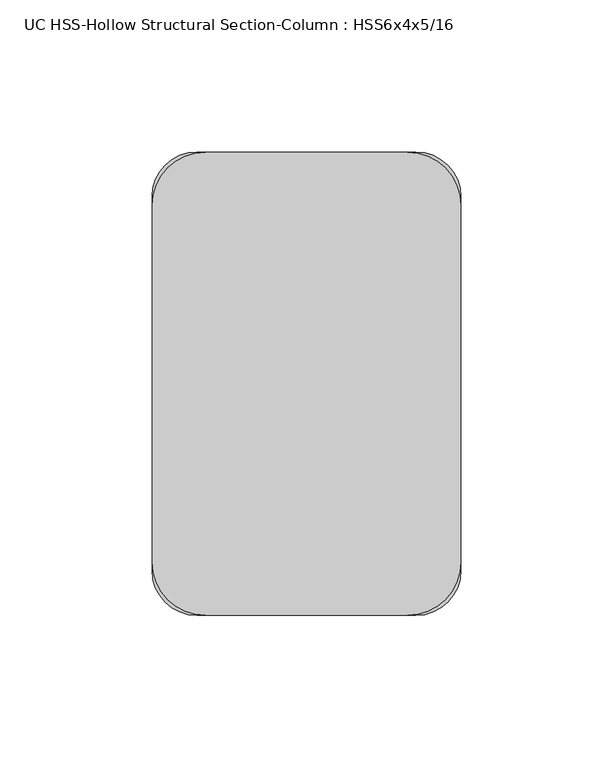
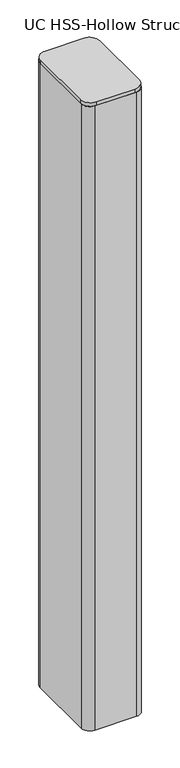
"""IFC4 building model written with IfcOpenShell, lengths in millimetres: column geometry, UC HSS-Hollow Structural Section-Column : HSS6x4x5/16."""

import ifcopenshell
import ifcopenshell.guid

model = None  # the IFC model being written
_history = None  # IfcOwnerHistory: only IFC2X3 demands one
_inside = {}  # id of a spatial element -> (the spatial element, [elements in it])
_under = {}  # id of a project, library or spatial element -> (it, [spatial elements below it])
_declared = {}  # id of a project -> (the project, [libraries it declares])
_typed = {}  # id of a type object -> (the type object, [elements of that type])
_made_of = {}  # id of a material, layer set ... -> (it, [elements and type objects made of it])


def new_model(schema):
    """Start an empty IFC model of exactly this schema.

    Asked for "IFC4X3", IfcOpenShell would pick the latest addendum, in which some entities
    have other attributes; the version numbers below select the first issue.
    IFC2X3 requires an IfcOwnerHistory on every rooted entity: one is made here for all.
    """
    global model, _history
    if schema == "IFC4X3":
        model = ifcopenshell.file(schema_version=(4, 3, 0, 0))
    else:
        model = ifcopenshell.file(schema=schema)
    _inside.clear()
    _under.clear()
    _declared.clear()
    _typed.clear()
    _made_of.clear()
    _history = None
    if model.schema == "IFC2X3":
        org = make("IfcOrganization", Name="unknown")
        user = make(
            "IfcPersonAndOrganization",
            ThePerson=make("IfcPerson", FamilyName="unknown"),
            TheOrganization=org,
        )
        app = make(
            "IfcApplication",
            ApplicationDeveloper=org,
            Version="unknown",
            ApplicationFullName="unknown",
            ApplicationIdentifier="unknown",
        )
        _history = make(
            "IfcOwnerHistory",
            OwningUser=user,
            OwningApplication=app,
            ChangeAction="ADDED",
            CreationDate=0,
        )
    return model


def make(cls, **values):
    """One entity of the class cls with the attributes given. An attribute that is None is left unset."""
    return model.create_entity(
        cls, **{name: value for name, value in values.items() if value is not None}
    )


def rooted(cls, **values):
    """An entity with a GlobalId (a new one), such as an element, a storey or a relation."""
    return make(cls, GlobalId=ifcopenshell.guid.new(), OwnerHistory=_history, **values)


def si_unit(unit_type, name, prefix=None):
    """IfcSIUnit, for example si_unit("LENGTHUNIT", "METRE", prefix="MILLI")."""
    return make("IfcSIUnit", UnitType=unit_type, Prefix=prefix, Name=name)


def assignment(units):
    """IfcUnitAssignment: the units of a project."""
    return None if units is None else make("IfcUnitAssignment", Units=units)


def point(xyz):
    """IfcCartesianPoint."""
    return None if xyz is None else make("IfcCartesianPoint", Coordinates=xyz)


def direction(xyz):
    """IfcDirection."""
    return None if xyz is None else make("IfcDirection", DirectionRatios=xyz)


def frame(location, z_axis=None, x_axis=None):
    """IfcAxis2Placement3D, a coordinate frame: its origin and axes. An axis left out is left unset."""
    return make(
        "IfcAxis2Placement3D",
        Location=point(location),
        Axis=direction(z_axis),
        RefDirection=direction(x_axis),
    )


def frame_2d(location, x_axis=None):
    """IfcAxis2Placement2D, a coordinate frame in the plane: its origin and x axis."""
    return make(
        "IfcAxis2Placement2D", Location=point(location), RefDirection=direction(x_axis)
    )


def origin():
    """The frame at (0, 0, 0) with its axes left unset."""
    return frame((0.0, 0.0, 0.0))


def place(relative_to, where):
    """IfcLocalPlacement: puts the frame where relative to a parent placement (None: the world)."""
    return make(
        "IfcLocalPlacement", PlacementRelTo=relative_to, RelativePlacement=where
    )


def context(
    kind, dimensions, precision=None, world=None, true_north=None, identifier=None
):
    """IfcGeometricRepresentationContext, for example the 3D "Model" context."""
    return make(
        "IfcGeometricRepresentationContext",
        ContextIdentifier=identifier,
        ContextType=kind,
        CoordinateSpaceDimension=dimensions,
        Precision=precision,
        WorldCoordinateSystem=world,
        TrueNorth=true_north,
    )


def project(units=None, contexts=None):
    """IfcProject with its units and contexts."""
    return rooted(
        "IfcProject",
        Name="project",
        RepresentationContexts=contexts,
        UnitsInContext=assignment(units),
    )


def spatial(cls, under=None, at=None, **own):
    """A site, building, storey or space (cls), placed at a placement, below another one or the project."""
    s = rooted(cls, ObjectPlacement=at, **own)
    if under is not None:
        _under.setdefault(under.id(), (under, []))[1].append(s)
    return s


def polyline(points):
    """IfcPolyline through the points."""
    return make("IfcPolyline", Points=[point(p) for p in points])


def circle_curve(where, radius):
    """IfcCircle in the frame where."""
    return make("IfcCircle", Position=where, Radius=radius)


def trimmed(basis, trim1, trim2, sense, master):
    """IfcTrimmedCurve: the piece of a basis curve between two trims."""
    return make(
        "IfcTrimmedCurve",
        BasisCurve=basis,
        Trim1=trim1,
        Trim2=trim2,
        SenseAgreement=sense,
        MasterRepresentation=master,
    )


def segment(curve, same_sense, transition):
    """IfcCompositeCurveSegment."""
    return make(
        "IfcCompositeCurveSegment",
        Transition=transition,
        SameSense=same_sense,
        ParentCurve=curve,
    )


def composite_curve(segments, self_intersect=None):
    """IfcCompositeCurve: segments joined end to end."""
    return make("IfcCompositeCurve", Segments=segments, SelfIntersect=self_intersect)


def outline(outer, holes=None, kind="AREA"):
    """IfcArbitraryClosedProfileDef: a profile drawn as a closed curve; with holes, ...WithVoids."""
    if holes is None:
        return make("IfcArbitraryClosedProfileDef", ProfileType=kind, OuterCurve=outer)
    return make(
        "IfcArbitraryProfileDefWithVoids",
        ProfileType=kind,
        OuterCurve=outer,
        InnerCurves=holes,
    )


def extrude(swept, where, along, depth):
    """IfcExtrudedAreaSolid: the profile swept, set in the frame where, extruded along a direction by depth."""
    return make(
        "IfcExtrudedAreaSolid",
        SweptArea=swept,
        Position=where,
        ExtrudedDirection=direction(along),
        Depth=depth,
    )


def shape(context_of_items, identifier, shape_type, items):
    """IfcShapeRepresentation: the items that make up one representation, for example the "Body"."""
    return make(
        "IfcShapeRepresentation",
        ContextOfItems=context_of_items,
        RepresentationIdentifier=identifier,
        RepresentationType=shape_type,
        Items=items,
    )


def source(mapping_origin, context_of_items, identifier, shape_type, items):
    """IfcRepresentationMap: a shape defined once, which mapped items show again and again."""
    return make(
        "IfcRepresentationMap",
        MappingOrigin=mapping_origin,
        MappedRepresentation=shape(context_of_items, identifier, shape_type, items),
    )


def transform(
    local_origin,
    x_axis=None,
    y_axis=None,
    z_axis=None,
    scale=None,
    scale2=None,
    scale3=None,
    uniform=True,
):
    """IfcCartesianTransformationOperator3D, or its non-uniform kind. x_axis, y_axis, z_axis: its Axis1, 2, 3."""
    if uniform:
        return make(
            "IfcCartesianTransformationOperator3D",
            Axis1=direction(x_axis),
            Axis2=direction(y_axis),
            LocalOrigin=point(local_origin),
            Scale=scale,
            Axis3=direction(z_axis),
        )
    return make(
        "IfcCartesianTransformationOperator3DnonUniform",
        Axis1=direction(x_axis),
        Axis2=direction(y_axis),
        LocalOrigin=point(local_origin),
        Scale=scale,
        Axis3=direction(z_axis),
        Scale2=scale2,
        Scale3=scale3,
    )


def mapped(mapping_source, mapping_target):
    """IfcMappedItem: shows the shape of a source again, moved by a transform."""
    return make(
        "IfcMappedItem", MappingSource=mapping_source, MappingTarget=mapping_target
    )


def made_of(thing, what):
    """Note that an element or type object is made of a material, layer set ...; save() writes the relation."""
    if what is not None:
        _made_of.setdefault(what.id(), (what, []))[1].append(thing)
    return thing


def element(
    cls,
    number,
    at=None,
    inside=None,
    cuts=None,
    type_object=None,
    material=None,
    context=None,
    identifier="Body",
    shape_type=None,
    held_by="IfcProductDefinitionShape",
    body=None,
    shapes=None,
    **own,
):
    """One element of the class cls, such as IfcWall. Its Tag is "e" and its number.

    at: its placement. inside: the storey or other place that contains it. cuts: it is an
    opening in that element (IfcRelVoidsElement). A single representation is given by context,
    identifier, shape_type and body (its items); several are given by shapes. held_by: the class
    of the entity that holds the representations. save() writes the other relations.
    """
    e = rooted(cls, Tag="e%d" % number, ObjectPlacement=at, **own)
    if body is not None:
        shapes = [shape(context, identifier, shape_type, body)]
    if shapes is not None:
        e.Representation = make(held_by, Representations=shapes)
    if inside is not None:
        _inside.setdefault(inside.id(), (inside, []))[1].append(e)
    if cuts is not None:
        rooted(
            "IfcRelVoidsElement", RelatingBuildingElement=cuts, RelatedOpeningElement=e
        )
    if type_object is not None:
        _typed.setdefault(type_object.id(), (type_object, []))[1].append(e)
    return made_of(e, material)


def aggregate(whole, parts):
    """IfcRelAggregates: a whole, such as a stair, and the parts it consists of."""
    return rooted("IfcRelAggregates", RelatingObject=whole, RelatedObjects=parts)


def save(model, path):
    """Write the relations noted so far, then the file.

    IfcRelAggregates (storeys below a building ...), IfcRelContainedInSpatialStructure (elements
    in a storey), IfcRelDefinesByType, IfcRelAssociatesMaterial and IfcRelDeclares: one each for
    every whole, place, type object, material and project.
    """
    for whole, parts in _under.values():
        aggregate(whole, parts)
    for where, things in _inside.values():
        rooted(
            "IfcRelContainedInSpatialStructure",
            RelatedElements=things,
            RelatingStructure=where,
        )
    for kind, things in _typed.values():
        rooted("IfcRelDefinesByType", RelatedObjects=things, RelatingType=kind)
    for what, things in _made_of.values():
        rooted("IfcRelAssociatesMaterial", RelatedObjects=things, RelatingMaterial=what)
    for by, libraries in _declared.values():
        rooted("IfcRelDeclares", RelatingContext=by, RelatedDefinitions=libraries)
    model.write(path)


def uc_hss_hollow_structural_section_column_hss6x4x5_16_6232ccf1(model_context):
    return source(origin(), model_context, "Body", "SweptSolid", [
        extrude(outline(composite_curve([segment(trimmed(circle_curve(frame_2d((-33.1390625, 58.5390625)), 17.6609375), [point((-50.8, 58.5390625))], [point((-33.1390625, 76.2))], False, "CARTESIAN"), True, "CONTINUOUS"), segment(polyline([(-33.1390625, 76.2), (33.1390625, 76.2)]), True, "CONTINUOUS"), segment(trimmed(circle_curve(frame_2d((33.1390625, 58.5390625)), 17.6609375), [point((33.1390625, 76.2))], [point((50.8, 58.5390625))], False, "CARTESIAN"), True, "CONTINUOUS"), segment(polyline([(50.8, 58.5390625), (50.8, -58.5390625)]), True, "CONTINUOUS"), segment(trimmed(circle_curve(frame_2d((33.1390625, -58.5390625)), 17.6609375), [point((50.8, -58.5390625))], [point((33.1390625, -76.2))], False, "CARTESIAN"), True, "CONTINUOUS"), segment(polyline([(33.1390625, -76.2), (-33.1390625, -76.2)]), True, "CONTINUOUS"), segment(trimmed(circle_curve(frame_2d((-33.1390625, -58.5390625)), 17.6609375), [point((-33.1390625, -76.2))], [point((-50.8, -58.5390625))], False, "CARTESIAN"), True, "CONTINUOUS"), segment(polyline([(-50.8, -58.5390625), (-50.8, 58.5390625)]), True, "CONTINUOUS")], self_intersect=False)), frame((0.0, 0.0, 4387.85), z_axis=(0.0, 0.0, 1.0), x_axis=(1.0, 0.0, 0.0)), (0.0, 0.0, 1.0), 6.35),
        extrude(outline(composite_curve([segment(trimmed(circle_curve(frame_2d((36.0172, 61.4172)), 14.7828), [point((36.0172, 76.2))], [point((50.8, 61.4172))], False, "CARTESIAN"), True, "CONTINUOUS"), segment(polyline([(50.8, 61.4172), (50.8, -61.4172)]), True, "CONTINUOUS"), segment(trimmed(circle_curve(frame_2d((36.0172, -61.4172)), 14.7828), [point((50.8, -61.4172))], [point((36.0172, -76.2))], False, "CARTESIAN"), True, "CONTINUOUS"), segment(polyline([(36.0172, -76.2), (-36.0172, -76.2)]), True, "CONTINUOUS"), segment(trimmed(circle_curve(frame_2d((-36.0172, -61.4172)), 14.7828), [point((-36.0172, -76.2))], [point((-50.8, -61.4172))], False, "CARTESIAN"), True, "CONTINUOUS"), segment(polyline([(-50.8, -61.4172), (-50.8, 61.4172)]), True, "CONTINUOUS"), segment(trimmed(circle_curve(frame_2d((-36.0172, 61.4172)), 14.7828), [point((-50.8, 61.4172))], [point((-36.0172, 76.2))], False, "CARTESIAN"), True, "CONTINUOUS"), segment(polyline([(-36.0172, 76.2), (36.0172, 76.2)]), True, "CONTINUOUS")], self_intersect=False), holes=[composite_curve([segment(polyline([(36.0172, 68.8086), (-36.0172, 68.8086)]), True, "CONTINUOUS"), segment(trimmed(circle_curve(frame_2d((-36.0172, 61.4172)), 7.3914), [point((-36.0172, 68.8086))], [point((-43.4086, 61.4172))], True, "CARTESIAN"), True, "CONTINUOUS"), segment(polyline([(-43.4086, 61.4172), (-43.4086, -61.4172)]), True, "CONTINUOUS"), segment(trimmed(circle_curve(frame_2d((-36.0172, -61.4172)), 7.3914), [point((-43.4086, -61.4172))], [point((-36.0172, -68.8086))], True, "CARTESIAN"), True, "CONTINUOUS"), segment(polyline([(-36.0172, -68.8086), (36.0172, -68.8086)]), True, "CONTINUOUS"), segment(trimmed(circle_curve(frame_2d((36.0172, -61.4172)), 7.3914), [point((36.0172, -68.8086))], [point((43.4086, -61.4172))], True, "CARTESIAN"), True, "CONTINUOUS"), segment(polyline([(43.4086, -61.4172), (43.4086, 61.4172)]), True, "CONTINUOUS"), segment(trimmed(circle_curve(frame_2d((36.0172, 61.4172)), 7.3914), [point((43.4086, 61.4172))], [point((36.0172, 68.8086))], True, "CARTESIAN"), True, "CONTINUOUS")], self_intersect=False)]), frame((0.0, 0.0, 3251.2), z_axis=(0.0, 0.0, 1.0), x_axis=(1.0, 0.0, 0.0)), (0.0, 0.0, 1.0), 1136.65),
    ])


if __name__ == "__main__":
    model = new_model("IFC4")
    model_context = context("Model", 3, world=origin())
    ifc_project = project(units=[si_unit("LENGTHUNIT", "METRE", prefix="MILLI")], contexts=[model_context])
    site = spatial("IfcSite", under=ifc_project)
    building = spatial("IfcBuilding", under=site)
    placement = place(None, origin())
    uc_hss_hollow_structural_section_column_hss6x4x5_16_shape = uc_hss_hollow_structural_section_column_hss6x4x5_16_6232ccf1(model_context)
    element("IfcColumn", 1, ObjectType="UC HSS-Hollow Structural Section-Column : HSS6x4x5/16", at=placement, inside=building, context=model_context, shape_type="MappedRepresentation", body=[
        mapped(uc_hss_hollow_structural_section_column_hss6x4x5_16_shape, transform((0.0, 0.0, 0.0), x_axis=(1.0, 0.0, 0.0), y_axis=(0.0, 1.0, 0.0), z_axis=(0.0, 0.0, 1.0))),
    ])
    save(model, "model.ifc")
